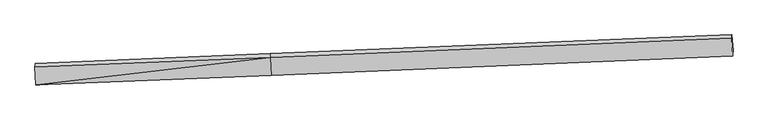
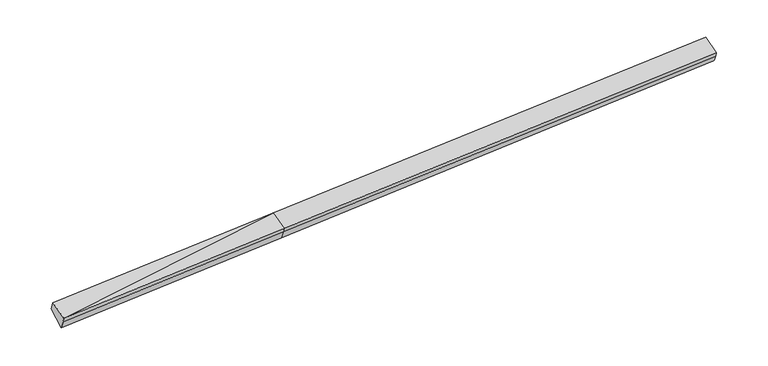
"""IFC4 building model written with IfcOpenShell, lengths in millimetres: proxy geometry."""

from ifc_helpers import new_model, si_unit, frame, origin, place, context, project, spatial, source, transform, mapped, element, save
from ifc_brep_helpers import plane_surface, spline_surface, advanced_brep


def generic_models_73a9c24c(model_context):
    return source(origin(), model_context, "Body", "AdvancedBrep", [
        advanced_brep(
        [(-11413.5136989, -2418.1039494, 1534.2201267), (-11407.9428225, -2354.3139883, 1350.9008793), (-2767.0216152, -1989.9099034, 1740.2916682), (-2772.5924916, -2053.6998645, 1923.6109156), (-11450.945711, -1748.4475261, 1774.7788111), (-2809.499135, -1393.442257, 2160.7932913), (-11441.5402812, -1625.3349577, 1451.3651486), (-2800.6190739, -1260.9308729, 1840.7559375), (-11399.1887826, -2215.5383188, 1028.0545432), (-2758.2675753, -1851.1342339, 1417.4453321), (14157.6910545, -561.4265252, 2652.4712444), (14150.2454503, -677.5124962, 2925.3053342), (14187.1520937, -1337.7701037, 2688.1229584), (14192.7229701, -1273.9801426, 2504.803711), (14200.0425531, -1151.6298862, 2229.160639)],
        [
            (0, 1),
            (1, 2),
            (2, 3),
            (3, 0),
            (4, 0),
            (0, 5),
            (5, 4),
            (6, 4),
            (5, 7),
            (7, 6),
            (8, 6),
            (7, 9),
            (9, 8),
            (1, 8),
            (9, 2),
            (10, 11),
            (11, 12),
            (12, 13),
            (13, 14),
            (14, 10),
            (3, 5),
            (5, 11),
            (10, 7),
            (3, 12),
            (2, 13),
            (9, 14),
        ],
        [
            plane_surface(frame((-11410.7282607, -2386.2089688, 1442.560503), z_axis=(0.05451305832064847, -0.9435627169234961, -0.32667679088738494), x_axis=(0.02868913691995176, 0.32850826278448236, -0.9440652809552472))),
            plane_surface(frame((-11432.229705, -2083.2757377, 1654.4994689), z_axis=(-0.02806071144849167, -0.339331139019564, 0.9402483579165082), x_axis=(0.05253340946856845, -0.9398195032012009, -0.3376085637128535))),
            spline_surface(1, 1, [[(-11441.5402812, -1625.3349577, 1451.3651486), (-2800.6190739, -1260.9308729, 1840.7559375)], [(-11450.945711, -1748.4475261, 1774.7788111), (-2809.499135, -1393.442257, 2160.7932913)]], [2, 2], [2, 2], [0.0, 1.0], [0.0, 1.0]),
            plane_surface(frame((-11420.3645319, -1920.4366383, 1239.7098459), z_axis=(0.011996840329575622, 0.5833468287262651, -0.812134565966205), x_axis=(-0.05821130872632348, 0.8112230080365468, 0.5818321706201072))),
            plane_surface(frame((-11403.5658025, -2284.9261535, 1189.4777113), z_axis=(0.056415386856275423, -0.9178099378141453, -0.39299137671894496), x_axis=(0.02490351492600439, 0.3947893789662635, -0.9184340810312749))),
            plane_surface(frame((14177.5708243, -1000.4638308, 2599.9727774), z_axis=(0.9982240976895381, 0.03991190579655603, 0.04422319038236043), x_axis=(-0.025103430291740208, -0.3913928263465592, 0.9198812278071773))),
            plane_surface(frame((-11422.6262592, -2072.347748, 1427.8639018), z_axis=(-0.9982240976895387, -0.03991190579655467, -0.0442231903823512), x_axis=(-0.02868913691994897, -0.32850826278448236, 0.9440652809552473))),
            plane_surface(frame((-11413.5136989, -2418.1039494, 1534.2201267), z_axis=(-0.028060711448490365, -0.339331139019573, 0.9402483579165049), x_axis=(0.05253340946856718, -0.9398195032011976, -0.3376085637128626))),
            spline_surface(1, 1, [[(-2800.6190739, -1260.9308729, 1840.7559375), (14157.6910545, -561.4265252, 2652.4712444)], [(-2809.499135, -1393.442257, 2160.7932913), (14150.2454503, -677.5124962, 2925.3053342)]], [2, 2], [2, 2], [0.0, 1.0], [0.0, 1.0]),
            plane_surface(frame((-2791.0458133, -1723.5710607, 2042.2021035), z_axis=(-0.028060208145531437, -0.33933111889147705, 0.9402483802010443), x_axis=(0.05253340946857289, -0.9398195032012001, -0.3376085637128547))),
            plane_surface(frame((-2769.8070534, -2021.8048839, 1831.9512919), z_axis=(0.05455684399833241, -0.9435608694880226, -0.3266748174315682), x_axis=(0.02868913691994897, 0.32850826278448236, -0.9440652809552473))),
            spline_surface(1, 1, [[(-2767.0216152, -1989.9099034, 1740.2916682), (14192.7229701, -1273.9801426, 2504.803711)], [(-2758.2675753, -1851.1342339, 1417.4453321), (14200.0425531, -1151.6298862, 2229.160639)]], [2, 2], [2, 2], [0.0, 1.0], [0.0, 1.0]),
            plane_surface(frame((-2779.4433246, -1556.0325534, 1629.1006348), z_axis=(0.01480033454138261, 0.583457697606287, -0.8120086607921334), x_axis=(-0.05821130872632666, 0.8112230080365493, 0.5818321706201033))),
        ],
        [
            (0, [[1, 2, 3, 4]]),
            (1, [[5, 6, 7]]),
            (2, [[8, -7, 9, 10]]),
            (3, [[11, -10, 12, 13]]),
            (4, [[14, -13, 15, -2]]),
            (5, [[16, 17, 18, 19, 20]]),
            (6, [[-1, -5, -8, -11, -14]]),
            (7, [[21, -6, -4]]),
            (8, [[-9, 22, -16, 23]]),
            (9, [[-21, 24, -17, -22]]),
            (10, [[-3, 25, -18, -24]]),
            (11, [[-15, 26, -19, -25]]),
            (12, [[-12, -23, -20, -26]]),
        ],
    ),
    ])


if __name__ == "__main__":
    model = new_model("IFC4")
    model_context = context("Model", 3, world=origin())
    ifc_project = project(units=[si_unit("LENGTHUNIT", "METRE", prefix="MILLI")], contexts=[model_context])
    site = spatial("IfcSite", under=ifc_project)
    building = spatial("IfcBuilding", under=site)
    placement = place(None, origin())
    generic_models_shape = generic_models_73a9c24c(model_context)
    element("IfcBuildingElementProxy", 1, Name="Generic Models", at=placement, inside=building, context=model_context, shape_type="MappedRepresentation", body=[
        mapped(generic_models_shape, transform((0.0, 0.0, 0.0), x_axis=(1.0, 0.0, 0.0), y_axis=(0.0, 1.0, 0.0), z_axis=(0.0, 0.0, 1.0))),
    ])
    save(model, "model.ifc")
